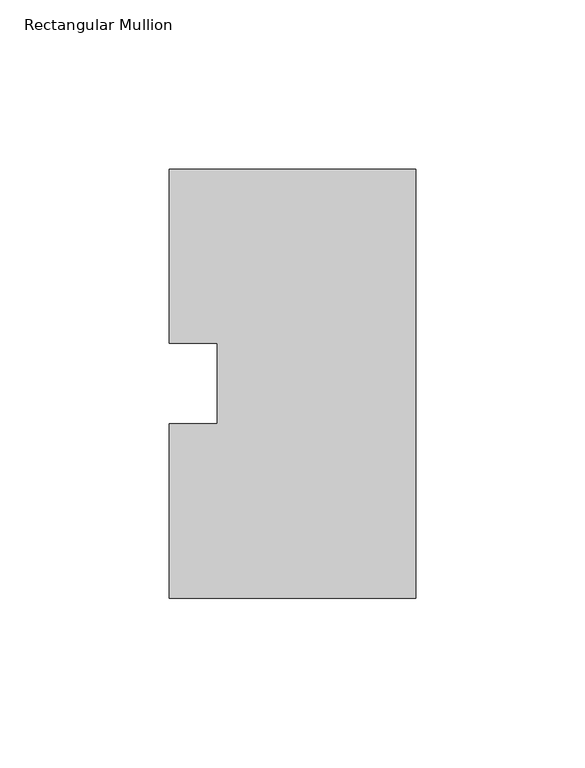
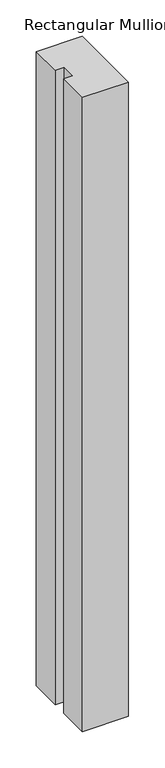
"""IFC4 building model written with IfcOpenShell, lengths in millimetres: member geometry, Rectangular Mullion."""

from ifc_helpers import new_model, si_unit, frame, origin, place, context, project, spatial, polyline, outline, extrude, source, transform, mapped, element, save


def rectangular_mullion_28c77e8b(model_context):
    return source(origin(), model_context, "Body", "SweptSolid", [
        extrude(outline(polyline([(0.0, 127.00635), (0.0, 0.00635), (-73.025, 0.00635), (-73.025, 51.60645), (-58.7375, 51.60645), (-58.7375, 75.40625), (-73.025, 75.40625), (-73.025, 127.00635), (0.0, 127.00635)])), frame((0.0, 0.0, -1066.80635), z_axis=(0.0, 0.0, 1.0), x_axis=(1.0, 0.0, 0.0)), (0.0, 0.0, 1.0), 1066.80635),
    ])


if __name__ == "__main__":
    model = new_model("IFC4")
    model_context = context("Model", 3, world=origin())
    ifc_project = project(units=[si_unit("LENGTHUNIT", "METRE", prefix="MILLI")], contexts=[model_context])
    site = spatial("IfcSite", under=ifc_project)
    building = spatial("IfcBuilding", under=site)
    placement = place(None, origin())
    rectangular_mullion_shape = rectangular_mullion_28c77e8b(model_context)
    element("IfcMember", 1, ObjectType="Rectangular Mullion", at=placement, inside=building, context=model_context, shape_type="MappedRepresentation", body=[
        mapped(rectangular_mullion_shape, transform((0.0, 0.0, 0.0), x_axis=(1.0, 0.0, 0.0), y_axis=(0.0, 1.0, 0.0), z_axis=(0.0, 0.0, 1.0))),
    ])
    save(model, "model.ifc")
